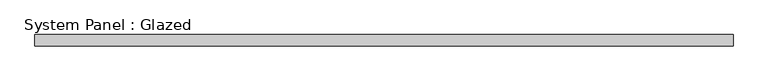
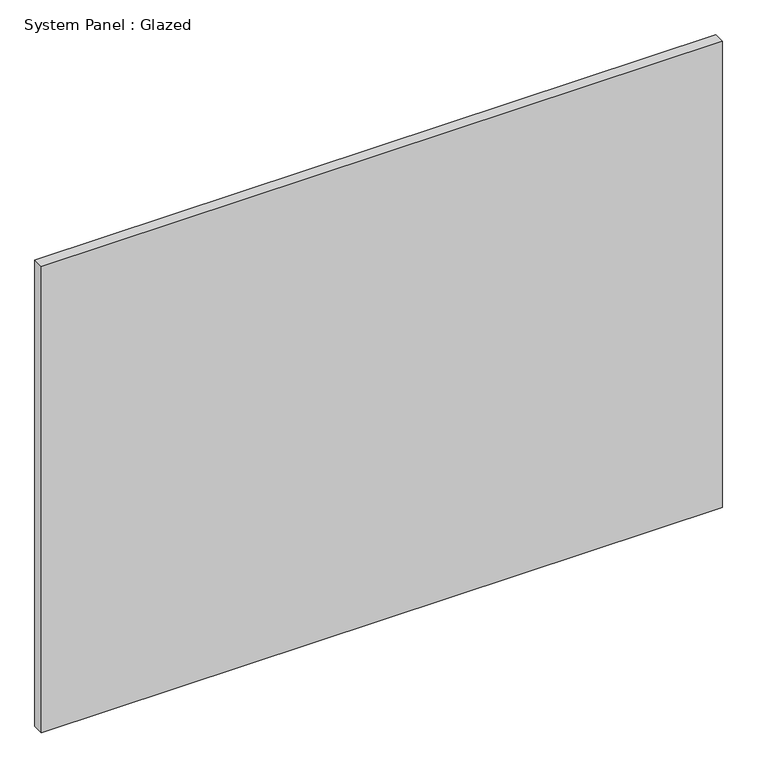
"""IFC4 building model written with IfcOpenShell, lengths in millimetres: plate geometry, System Panel : Glazed."""

from ifc_helpers import new_model, si_unit, origin, origin_with_axes, place, context, project, spatial, polyline, outline, extrude, source, transform, mapped, element, save


def system_panel_glazed_85fad722(model_context):
    return source(origin(), model_context, "Body", "SweptSolid", [
        extrude(outline(polyline([(756.7501169, 24.5), (-756.7501169, 24.5), (-756.7501169, 49.5), (756.7501169, 49.5), (756.7501169, 24.5)])), origin_with_axes(), (0.0, 0.0, 1.0), 1095.0),
    ])


if __name__ == "__main__":
    model = new_model("IFC4")
    model_context = context("Model", 3, world=origin())
    ifc_project = project(units=[si_unit("LENGTHUNIT", "METRE", prefix="MILLI")], contexts=[model_context])
    site = spatial("IfcSite", under=ifc_project)
    building = spatial("IfcBuilding", under=site)
    placement = place(None, origin())
    system_panel_glazed_shape = system_panel_glazed_85fad722(model_context)
    element("IfcPlate", 1, ObjectType="System Panel : Glazed", at=placement, inside=building, context=model_context, shape_type="MappedRepresentation", body=[
        mapped(system_panel_glazed_shape, transform((0.0, 0.0, 0.0), x_axis=(1.0, 0.0, 0.0), y_axis=(0.0, 1.0, 0.0), z_axis=(0.0, 0.0, 1.0))),
    ])
    save(model, "model.ifc")
